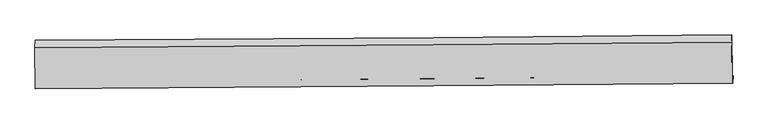
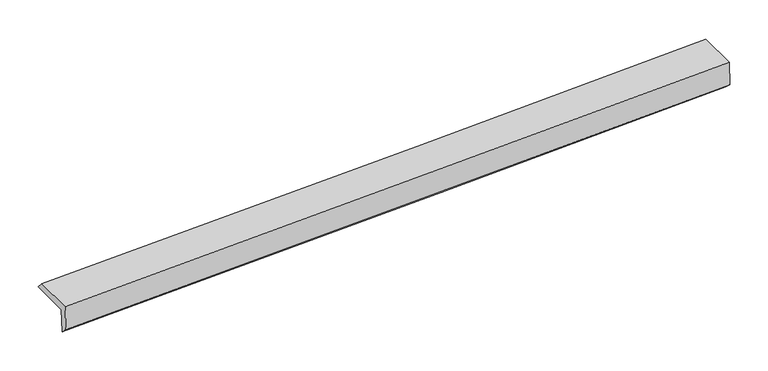
"""IFC4 building model written with IfcOpenShell, lengths in millimetres: proxy geometry."""

from ifc_helpers import new_model, si_unit, frame, origin, place, context, project, spatial, source, transform, mapped, element, save
from ifc_brep_helpers import plane_surface, spline_curve, spline_surface, advanced_brep


def generic_models_daacaf3f(model_context):
    return source(origin(), model_context, "Body", "AdvancedBrep", [
        advanced_brep(
        [(-5941.9199072, -1863.955146, 1446.35268), (-5954.928582, -1867.6569364, 1843.2892532), (5394.1297265, -1768.7862151, 2216.1503544), (5407.1384013, -1765.0844247, 1819.2137812), (-5944.1929446, -1977.7468101, 1547.2260427), (5404.6323054, -1888.9684409, 1929.9911891), (-5957.9670407, -1981.6664112, 1967.5180869), (5391.1857459, -1892.7948372, 2340.2890334), (-5964.3250163, -1308.7665916, 1973.5851148), (5384.8277703, -1219.8950175, 2346.3560613), (-5961.3210217, -1191.1095864, 1849.3891681), (5387.8317649, -1102.2380124, 2222.1601146)],
        [
            (0, 1),
            (1, 2, spline_curve(3, [(-5954.928582, -1867.6569364, 1843.2892532), (-3791.012765286, -1850.401640873, 1906.575972517), (-1627.251443726, -1832.234706615, 1974.322382524), (2155.700040988, -1798.876835514, 2100.570910127), (3774.958155509, -1784.086862813, 2157.111534089), (5394.1297265, -1768.7862151, 2216.1503544)], [4, 2, 4], [0.0, 21.308065420592317, 37.256019318485016])),
            (2, 3),
            (3, 0, spline_curve(3, [(5407.1384013, -1765.0844247, 1819.2137812), (3787.966830309, -1780.385072413, 1760.174960889), (2168.708715788, -1795.175045114, 1703.634336927), (-1614.242768926, -1828.532916215, 1577.385809324), (-3778.004090486, -1846.699850473, 1509.639399317), (-5941.9199072, -1863.955146, 1446.35268)], [4, 2, 4], [0.0, 15.947953897892699, 37.256019318485016])),
            (4, 0),
            (3, 5),
            (5, 4, spline_curve(3, [(5404.6323054, -1888.9684409, 1929.9911891), (3785.408313525, -1902.433065373, 1872.036336359), (2166.134452743, -1915.556513553, 1815.510738366), (-1616.768141959, -1945.417182196, 1686.800156758), (-3780.436030822, -1961.88652393, 1615.737372919), (-5944.1929446, -1977.7468101, 1547.2260427)], [4, 2, 4], [0.0, 15.947948038654815, 37.25600563071785])),
            (6, 4),
            (5, 7),
            (7, 6, spline_curve(3, [(5391.1857459, -1892.7948372, 2340.2890334), (3771.901286727, -1906.276668641, 2284.179244277), (2152.572835922, -1919.415650454, 2229.319346466), (-1630.443552511, -1949.308701649, 2104.080995248), (-3794.166031227, -1965.793577315, 2034.683910777), (-5957.9670407, -1981.6664112, 1967.5180869)], [4, 2, 4], [0.0, 15.947943867087208, 37.25599588551766])),
            (8, 6),
            (7, 9),
            (9, 8, spline_curve(3, [(5384.8277703, -1219.8950175, 2346.3560613), (3765.570842653, -1236.290678408, 2290.220000527), (2146.258138445, -1251.09618537, 2235.345076774), (-1636.74899675, -1281.968574378, 2110.097895546), (-3800.487221332, -1296.78692558, 2040.715837301), (-5964.3250163, -1308.7665916, 1973.5851148)], [4, 2, 4], [0.0, 15.947946756598785, 37.25600263570642])),
            (10, 8),
            (9, 11),
            (11, 10, spline_curve(3, [(5387.8317649, -1102.2380124, 2222.1601146), (3768.670283714, -1118.606512626, 2163.111665919), (2149.412169183, -1133.396484996, 2106.571042484), (-1633.562886305, -1164.259746332, 1980.345006254), (-3797.355700372, -1179.093631052, 1912.628648146), (-5961.3210217, -1191.1095864, 1849.3891681)], [4, 2, 4], [0.0, 15.947964107413945, 37.256043168950306])),
            (1, 10),
            (11, 2),
        ],
        [
            spline_surface(3, 3, [[(-5941.9199072, -1863.955146, 1446.35268), (-3778.00409065, -1846.699850444, 1509.639399192), (-1614.242769102, -1828.532916042, 1577.385809238), (2168.708715919, -1795.175045243, 1703.634336991), (3787.966830555, -1780.385072547, 1760.174960652), (5407.1384013, -1765.0844247, 1819.2137812)], [(-5946.256132142, -1865.189076128, 1578.664871069), (-3782.340315592, -1847.933780571, 1641.951590262), (-1618.578994044, -1829.76684617, 1709.698000308), (2164.372490977, -1796.408975371, 1835.946528061), (3783.630605613, -1781.619002675, 1892.487151721), (5402.802176358, -1766.318354828, 1951.525972269)], [(-5950.592357058, -1866.423006272, 1710.977062131), (-3786.676540507, -1849.167710716, 1774.263781323), (-1622.915218959, -1831.000776314, 1842.010191369), (2160.036266061, -1797.642905516, 1968.258719122), (3779.294380697, -1782.852932819, 2024.799342783), (5398.465951442, -1767.552284972, 2083.838163331)], [(-5954.928582, -1867.6569364, 1843.2892532), (-3791.01276545, -1850.401640844, 1906.575972392), (-1627.251443902, -1832.234706442, 1974.322382438), (2155.700041119, -1798.876835643, 2100.570910191), (3774.958155755, -1784.086862947, 2157.111533852), (5394.1297265, -1768.7862151, 2216.1503544)]], [4, 4], [4, 2, 4], [0.0, 1.3030411160988422], [0.0, 21.308065420592317, 37.256019318485016]),
            spline_surface(3, 3, [[(-5944.1929446, -1977.7468101, 1547.2260427), (-3780.436030846, -1961.886523955, 1615.737372645), (-1616.768141813, -1945.417182366, 1686.800156806), (2166.134452633, -1915.556513425, 1815.510738331), (3785.40831365, -1902.433065241, 1872.03633627), (5404.6323054, -1888.9684409, 1929.9911891)], [(-5943.43526547, -1939.81625541, 1513.601588474), (-3779.625384117, -1923.490966128, 1580.371381501), (-1615.926350904, -1906.455760258, 1650.328707598), (2166.9925404, -1875.429357364, 1778.218604532), (3786.261152631, -1861.750400999, 1834.749211067), (5405.467670713, -1847.673768823, 1893.06538647)], [(-5942.67758633, -1901.88570069, 1479.977134226), (-3778.814737378, -1885.095408271, 1545.005390336), (-1615.084560011, -1867.49433815, 1613.857258447), (2167.850628152, -1835.302201304, 1740.92647079), (3787.113991574, -1821.067736789, 1797.462085855), (5406.303035987, -1806.379096777, 1856.13958383)], [(-5941.9199072, -1863.955146, 1446.35268), (-3778.00409065, -1846.699850444, 1509.639399192), (-1614.242769102, -1828.532916042, 1577.385809238), (2168.708715919, -1795.175045243, 1703.634336991), (3787.966830555, -1780.385072547, 1760.174960652), (5407.1384013, -1765.0844247, 1819.2137812)]], [4, 4], [4, 2, 4], [0.0, 0.5301236575665429], [0.0, 21.308057592063037, 37.25600563071785]),
            spline_surface(3, 3, [[(-5957.9670407, -1981.6664112, 1967.5180869), (-3794.16603111, -1965.793577003, 2034.683910868), (-1630.443552679, -1949.308701313, 2104.080995111), (2152.572836047, -1919.415650705, 2229.319346569), (3771.901286463, -1906.276668421, 2284.17924449), (5391.1857459, -1892.7948372, 2340.2890334)], [(-5953.375675307, -1980.359877484, 1827.420738803), (-3789.589364329, -1964.491225971, 1895.035064764), (-1625.885082382, -1948.011528332, 1964.987382337), (2157.093374918, -1918.129271612, 2091.383143817), (3776.40362885, -1904.995467378, 2146.798275069), (5395.667932391, -1891.519371784, 2203.523085285)], [(-5948.784309993, -1979.053343816, 1687.323390797), (-3785.012697627, -1963.188874987, 1755.386218749), (-1621.326612111, -1946.714355348, 1825.89376958), (2161.613913762, -1916.842892518, 1953.446941082), (3780.905971263, -1903.714266284, 2009.417305691), (5400.150118909, -1890.243906316, 2066.757137215)], [(-5944.1929446, -1977.7468101, 1547.2260427), (-3780.436030846, -1961.886523955, 1615.737372645), (-1616.768141813, -1945.417182366, 1686.800156806), (2166.134452633, -1915.556513425, 1815.510738331), (3785.40831365, -1902.433065241, 1872.03633627), (5404.6323054, -1888.9684409, 1929.9911891)]], [4, 4], [4, 2, 4], [0.0, 1.365716943013729], [0.0, 21.308052018430455, 37.25599588551766]),
            spline_surface(3, 3, [[(-5964.3250163, -1308.7665916, 1973.5851148), (-3800.487221636, -1296.786925831, 2040.715837018), (-1636.748996824, -1281.968574653, 2110.097895439), (2146.258138501, -1251.096185164, 2235.345076854), (3765.570842535, -1236.290678267, 2290.220000597), (5384.8277703, -1219.8950175, 2346.3560613)], [(-5962.205691117, -1533.06653148, 1971.562772183), (-3798.380158144, -1519.789142901, 2038.705194984), (-1634.647182118, -1504.415283542, 2108.092262002), (2148.363037674, -1473.869340347, 2233.336500097), (3767.680990494, -1459.619341632, 2288.206415244), (5386.947095483, -1444.19495738, 2344.333718683)], [(-5960.086365883, -1757.36647132, 1969.540429517), (-3796.273094603, -1742.791359932, 2036.694552902), (-1632.545367385, -1726.861992424, 2106.086628549), (2150.467936874, -1696.642495522, 2231.327923325), (3769.791138504, -1682.948005056, 2286.192829843), (5389.066420717, -1668.49489732, 2342.311376017)], [(-5957.9670407, -1981.6664112, 1967.5180869), (-3794.16603111, -1965.793577003, 2034.683910868), (-1630.443552679, -1949.308701313, 2104.080995111), (2152.572836047, -1919.415650705, 2229.319346569), (3771.901286463, -1906.276668421, 2284.17924449), (5391.1857459, -1892.7948372, 2340.2890334)]], [4, 4], [4, 2, 4], [0.0, 2.191113914961008], [0.0, 21.308055879107638, 37.25600263570642]),
            spline_surface(3, 3, [[(-5961.3210217, -1191.1095864, 1849.3891681), (-3797.355700606, -1179.093631299, 1912.628648129), (-1633.562886395, -1164.259746021, 1980.345006532), (2149.412169251, -1133.396485228, 2106.571042276), (3768.670283887, -1118.606512532, 2163.111666037), (5387.8317649, -1102.2380124, 2222.1601146)], [(-5962.322353236, -1230.328588108, 1890.787817015), (-3798.399540953, -1218.32472945, 1955.324377773), (-1634.624923225, -1203.496022223, 2023.595969507), (2148.360825647, -1172.629718531, 2149.495720474), (3767.637136766, -1157.834567785, 2205.481110905), (5386.830433364, -1141.457014108, 2263.558763515)], [(-5963.323684764, -1269.547589892, 1932.186465885), (-3799.44338129, -1257.555827679, 1998.020107374), (-1635.686959993, -1242.732298452, 2066.846932464), (2147.309482105, -1211.862951861, 2192.420398656), (3766.603989655, -1197.062623015, 2247.850555729), (5385.829101836, -1180.676015792, 2304.957412385)], [(-5964.3250163, -1308.7665916, 1973.5851148), (-3800.487221636, -1296.786925831, 2040.715837018), (-1636.748996824, -1281.968574653, 2110.097895439), (2146.258138501, -1251.096185164, 2235.345076854), (3765.570842535, -1236.290678267, 2290.220000597), (5384.8277703, -1219.8950175, 2346.3560613)]], [4, 4], [4, 2, 4], [0.0, 0.5737491465806487], [0.0, 21.30807906153636, 37.256043168950306]),
            spline_surface(3, 3, [[(-5954.928582, -1867.6569364, 1843.2892532), (-3791.01276545, -1850.401640844, 1906.575972392), (-1627.251443902, -1832.234706442, 1974.322382438), (2155.700041119, -1798.876835643, 2100.570910191), (3774.958155755, -1784.086862947, 2157.111533852), (5394.1297265, -1768.7862151, 2216.1503544)], [(-5957.059395228, -1642.14115309, 1845.322558156), (-3793.127077163, -1626.632304352, 1908.593530961), (-1629.355258042, -1609.576386313, 1976.329923814), (2153.604083854, -1577.050052183, 2102.570954231), (3772.86219849, -1562.260079487, 2159.111577892), (5392.030405991, -1546.603480878, 2218.153607778)], [(-5959.190208472, -1416.62536971, 1847.355863144), (-3795.241388893, -1402.86296779, 1910.61108956), (-1631.459072255, -1386.91806615, 1978.337465156), (2151.508126516, -1355.223268689, 2104.570998237), (3770.766241152, -1340.433295993, 2161.111621998), (5389.931085409, -1324.420746622, 2220.156861222)], [(-5961.3210217, -1191.1095864, 1849.3891681), (-3797.355700606, -1179.093631299, 1912.628648129), (-1633.562886395, -1164.259746021, 1980.345006532), (2149.412169251, -1133.396485228, 2106.571042276), (3768.670283887, -1118.606512532, 2163.111666037), (5387.8317649, -1102.2380124, 2222.1601146)]], [4, 4], [4, 2, 4], [0.0, 2.1890876949955884], [0.0, 21.308077196281822, 37.25603990765193]),
            plane_surface(frame((5394.957619, -1606.2944913, 2145.6934223), z_axis=(0.9994187990280357, 0.009147045921766284, 0.03283893573586385), x_axis=(0.009447815554578841, -0.9999147263735826, -0.009015473503385234))),
            plane_surface(frame((-5954.1090854, -1698.4835803, 1771.2267243), z_axis=(-0.9994187990280357, -0.00914704592175772, -0.03283893573586481), x_axis=(0.03275367049058507, 0.009320489909263516, -0.9994199945654707))),
        ],
        [
            (0, [[1, 2, 3, 4]]),
            (1, [[5, -4, 6, 7]]),
            (2, [[8, -7, 9, 10]]),
            (3, [[11, -10, 12, 13]]),
            (4, [[14, -13, 15, 16]]),
            (5, [[17, -16, 18, -2]]),
            (6, [[-12, -9, -6, -3, -18, -15]]),
            (7, [[-1, -5, -8, -11, -14, -17]]),
        ],
    ),
    ])


if __name__ == "__main__":
    model = new_model("IFC4")
    model_context = context("Model", 3, world=origin())
    ifc_project = project(units=[si_unit("LENGTHUNIT", "METRE", prefix="MILLI")], contexts=[model_context])
    site = spatial("IfcSite", under=ifc_project)
    building = spatial("IfcBuilding", under=site)
    placement = place(None, origin())
    generic_models_shape = generic_models_daacaf3f(model_context)
    element("IfcBuildingElementProxy", 1, Name="Generic Models", at=placement, inside=building, context=model_context, shape_type="MappedRepresentation", body=[
        mapped(generic_models_shape, transform((0.0, 0.0, 0.0), x_axis=(1.0, 0.0, 0.0), y_axis=(0.0, 1.0, 0.0), z_axis=(0.0, 0.0, 1.0))),
    ])
    save(model, "model.ifc")
